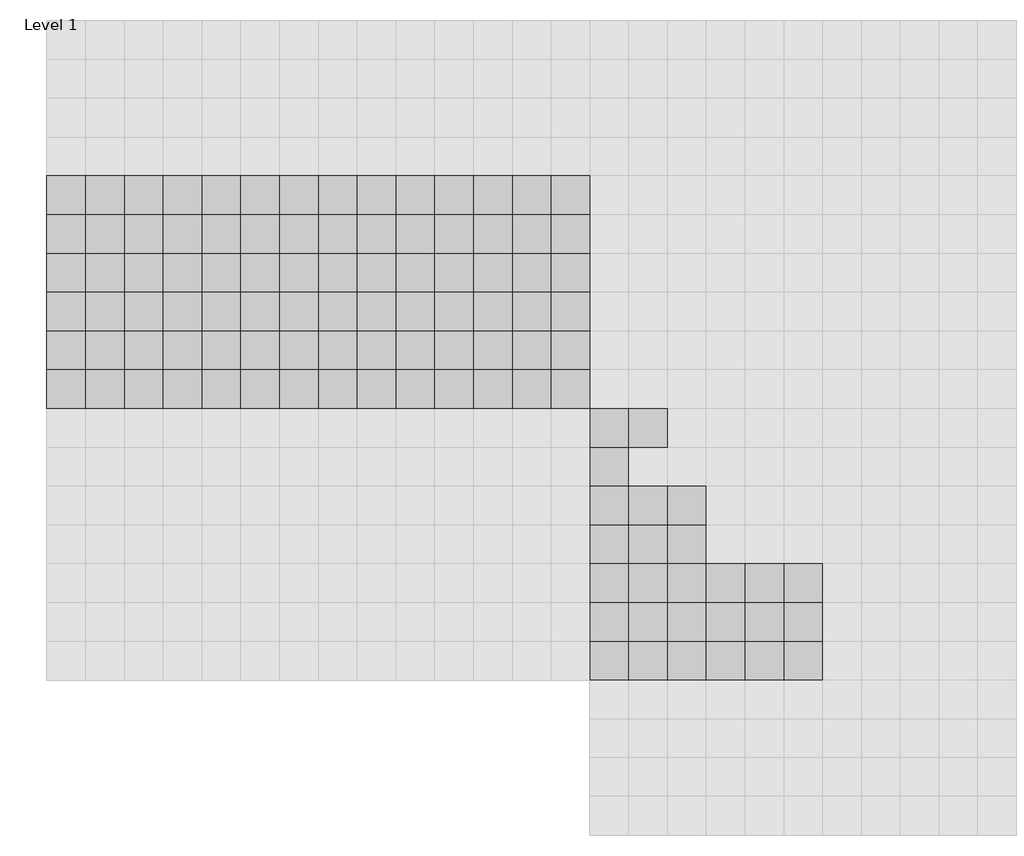
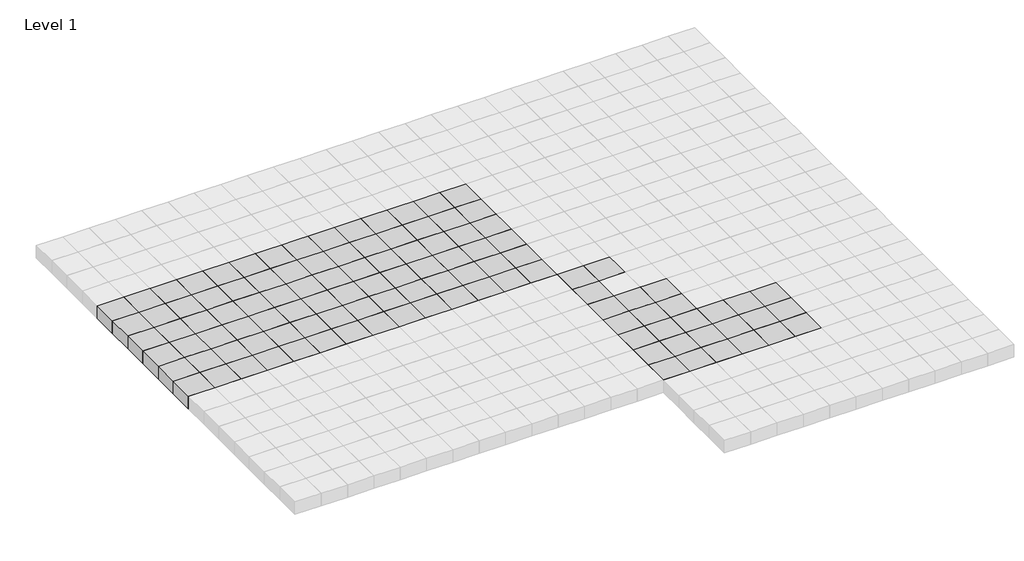
# One storey, part 28 of 30: 111 columns.
"""IFC4 building model written with IfcOpenShell, lengths in millimetres."""

import ifcopenshell
import ifcopenshell.guid

model = None  # the IFC model being written
_history = None  # IfcOwnerHistory: only IFC2X3 demands one
_inside = {}  # id of a spatial element -> (the spatial element, [elements in it])
_under = {}  # id of a project, library or spatial element -> (it, [spatial elements below it])
_declared = {}  # id of a project -> (the project, [libraries it declares])
_typed = {}  # id of a type object -> (the type object, [elements of that type])
_made_of = {}  # id of a material, layer set ... -> (it, [elements and type objects made of it])


def new_model(schema):
    """Start an empty IFC model of exactly this schema.

    Asked for "IFC4X3", IfcOpenShell would pick the latest addendum, in which some entities
    have other attributes; the version numbers below select the first issue.
    IFC2X3 requires an IfcOwnerHistory on every rooted entity: one is made here for all.
    """
    global model, _history
    if schema == "IFC4X3":
        model = ifcopenshell.file(schema_version=(4, 3, 0, 0))
    else:
        model = ifcopenshell.file(schema=schema)
    _inside.clear()
    _under.clear()
    _declared.clear()
    _typed.clear()
    _made_of.clear()
    _history = None
    if model.schema == "IFC2X3":
        org = make("IfcOrganization", Name="unknown")
        user = make(
            "IfcPersonAndOrganization",
            ThePerson=make("IfcPerson", FamilyName="unknown"),
            TheOrganization=org,
        )
        app = make(
            "IfcApplication",
            ApplicationDeveloper=org,
            Version="unknown",
            ApplicationFullName="unknown",
            ApplicationIdentifier="unknown",
        )
        _history = make(
            "IfcOwnerHistory",
            OwningUser=user,
            OwningApplication=app,
            ChangeAction="ADDED",
            CreationDate=0,
        )
    return model


def make(cls, **values):
    """One entity of the class cls with the attributes given. An attribute that is None is left unset."""
    return model.create_entity(
        cls, **{name: value for name, value in values.items() if value is not None}
    )


def rooted(cls, **values):
    """An entity with a GlobalId (a new one), such as an element, a storey or a relation."""
    return make(cls, GlobalId=ifcopenshell.guid.new(), OwnerHistory=_history, **values)


def si_unit(unit_type, name, prefix=None):
    """IfcSIUnit, for example si_unit("LENGTHUNIT", "METRE", prefix="MILLI")."""
    return make("IfcSIUnit", UnitType=unit_type, Prefix=prefix, Name=name)


def assignment(units):
    """IfcUnitAssignment: the units of a project."""
    return None if units is None else make("IfcUnitAssignment", Units=units)


def point(xyz):
    """IfcCartesianPoint."""
    return None if xyz is None else make("IfcCartesianPoint", Coordinates=xyz)


def direction(xyz):
    """IfcDirection."""
    return None if xyz is None else make("IfcDirection", DirectionRatios=xyz)


def frame(location, z_axis=None, x_axis=None):
    """IfcAxis2Placement3D, a coordinate frame: its origin and axes. An axis left out is left unset."""
    return make(
        "IfcAxis2Placement3D",
        Location=point(location),
        Axis=direction(z_axis),
        RefDirection=direction(x_axis),
    )


def origin():
    """The frame at (0, 0, 0) with its axes left unset."""
    return frame((0.0, 0.0, 0.0))


def origin_with_axes():
    """The frame at (0, 0, 0) with the z axis (0, 0, 1) and the x axis (1, 0, 0) written out."""
    return frame((0.0, 0.0, 0.0), z_axis=(0.0, 0.0, 1.0), x_axis=(1.0, 0.0, 0.0))


def place(relative_to, where):
    """IfcLocalPlacement: puts the frame where relative to a parent placement (None: the world)."""
    return make(
        "IfcLocalPlacement", PlacementRelTo=relative_to, RelativePlacement=where
    )


def context(
    kind, dimensions, precision=None, world=None, true_north=None, identifier=None
):
    """IfcGeometricRepresentationContext, for example the 3D "Model" context."""
    return make(
        "IfcGeometricRepresentationContext",
        ContextIdentifier=identifier,
        ContextType=kind,
        CoordinateSpaceDimension=dimensions,
        Precision=precision,
        WorldCoordinateSystem=world,
        TrueNorth=true_north,
    )


def project(units=None, contexts=None):
    """IfcProject with its units and contexts."""
    return rooted(
        "IfcProject",
        Name="project",
        RepresentationContexts=contexts,
        UnitsInContext=assignment(units),
    )


def spatial(cls, under=None, at=None, **own):
    """A site, building, storey or space (cls), placed at a placement, below another one or the project."""
    s = rooted(cls, ObjectPlacement=at, **own)
    if under is not None:
        _under.setdefault(under.id(), (under, []))[1].append(s)
    return s


def polyline(points):
    """IfcPolyline through the points."""
    return make("IfcPolyline", Points=[point(p) for p in points])


def outline(outer, holes=None, kind="AREA"):
    """IfcArbitraryClosedProfileDef: a profile drawn as a closed curve; with holes, ...WithVoids."""
    if holes is None:
        return make("IfcArbitraryClosedProfileDef", ProfileType=kind, OuterCurve=outer)
    return make(
        "IfcArbitraryProfileDefWithVoids",
        ProfileType=kind,
        OuterCurve=outer,
        InnerCurves=holes,
    )


def extrude(swept, where, along, depth):
    """IfcExtrudedAreaSolid: the profile swept, set in the frame where, extruded along a direction by depth."""
    return make(
        "IfcExtrudedAreaSolid",
        SweptArea=swept,
        Position=where,
        ExtrudedDirection=direction(along),
        Depth=depth,
    )


def shape(context_of_items, identifier, shape_type, items):
    """IfcShapeRepresentation: the items that make up one representation, for example the "Body"."""
    return make(
        "IfcShapeRepresentation",
        ContextOfItems=context_of_items,
        RepresentationIdentifier=identifier,
        RepresentationType=shape_type,
        Items=items,
    )


def source(mapping_origin, context_of_items, identifier, shape_type, items):
    """IfcRepresentationMap: a shape defined once, which mapped items show again and again."""
    return make(
        "IfcRepresentationMap",
        MappingOrigin=mapping_origin,
        MappedRepresentation=shape(context_of_items, identifier, shape_type, items),
    )


def transform(
    local_origin,
    x_axis=None,
    y_axis=None,
    z_axis=None,
    scale=None,
    scale2=None,
    scale3=None,
    uniform=True,
):
    """IfcCartesianTransformationOperator3D, or its non-uniform kind. x_axis, y_axis, z_axis: its Axis1, 2, 3."""
    if uniform:
        return make(
            "IfcCartesianTransformationOperator3D",
            Axis1=direction(x_axis),
            Axis2=direction(y_axis),
            LocalOrigin=point(local_origin),
            Scale=scale,
            Axis3=direction(z_axis),
        )
    return make(
        "IfcCartesianTransformationOperator3DnonUniform",
        Axis1=direction(x_axis),
        Axis2=direction(y_axis),
        LocalOrigin=point(local_origin),
        Scale=scale,
        Axis3=direction(z_axis),
        Scale2=scale2,
        Scale3=scale3,
    )


def mapped(mapping_source, mapping_target):
    """IfcMappedItem: shows the shape of a source again, moved by a transform."""
    return make(
        "IfcMappedItem", MappingSource=mapping_source, MappingTarget=mapping_target
    )


def made_of(thing, what):
    """Note that an element or type object is made of a material, layer set ...; save() writes the relation."""
    if what is not None:
        _made_of.setdefault(what.id(), (what, []))[1].append(thing)
    return thing


def element(
    cls,
    number,
    at=None,
    inside=None,
    cuts=None,
    type_object=None,
    material=None,
    context=None,
    identifier="Body",
    shape_type=None,
    held_by="IfcProductDefinitionShape",
    body=None,
    shapes=None,
    **own,
):
    """One element of the class cls, such as IfcWall. Its Tag is "e" and its number.

    at: its placement. inside: the storey or other place that contains it. cuts: it is an
    opening in that element (IfcRelVoidsElement). A single representation is given by context,
    identifier, shape_type and body (its items); several are given by shapes. held_by: the class
    of the entity that holds the representations. save() writes the other relations.
    """
    e = rooted(cls, Tag="e%d" % number, ObjectPlacement=at, **own)
    if body is not None:
        shapes = [shape(context, identifier, shape_type, body)]
    if shapes is not None:
        e.Representation = make(held_by, Representations=shapes)
    if inside is not None:
        _inside.setdefault(inside.id(), (inside, []))[1].append(e)
    if cuts is not None:
        rooted(
            "IfcRelVoidsElement", RelatingBuildingElement=cuts, RelatedOpeningElement=e
        )
    if type_object is not None:
        _typed.setdefault(type_object.id(), (type_object, []))[1].append(e)
    return made_of(e, material)


def aggregate(whole, parts):
    """IfcRelAggregates: a whole, such as a stair, and the parts it consists of."""
    return rooted("IfcRelAggregates", RelatingObject=whole, RelatedObjects=parts)


def save(model, path):
    """Write the relations noted so far, then the file.

    IfcRelAggregates (storeys below a building ...), IfcRelContainedInSpatialStructure (elements
    in a storey), IfcRelDefinesByType, IfcRelAssociatesMaterial and IfcRelDeclares: one each for
    every whole, place, type object, material and project.
    """
    for whole, parts in _under.values():
        aggregate(whole, parts)
    for where, things in _inside.values():
        rooted(
            "IfcRelContainedInSpatialStructure",
            RelatedElements=things,
            RelatingStructure=where,
        )
    for kind, things in _typed.values():
        rooted("IfcRelDefinesByType", RelatedObjects=things, RelatingType=kind)
    for what, things in _made_of.values():
        rooted("IfcRelAssociatesMaterial", RelatedObjects=things, RelatingMaterial=what)
    for by, libraries in _declared.values():
        rooted("IfcRelDeclares", RelatingContext=by, RelatedDefinitions=libraries)
    model.write(path)


def m_concrete_square_column_600_x_600mm_cc081a69(model_context):
    return source(origin(), model_context, "Body", "SweptSolid", [
        extrude(outline(polyline([(300.0, 300.0), (300.0, -300.0), (-300.0, -300.0), (-300.0, 300.0), (300.0, 300.0)])), origin_with_axes(), (0.0, 0.0, 1.0), 300.0),
    ])


model = new_model("IFC4")

# Units and contexts
model_context = context("Model", 3, world=origin())
ifc_project = project(units=[si_unit("LENGTHUNIT", "METRE", prefix="MILLI")], contexts=[model_context])

# Site, building, storey
site = spatial("IfcSite", under=ifc_project)
building = spatial("IfcBuilding", under=site)
storey = spatial("IfcBuildingStorey", under=building, Name="Level 1", Elevation=0.0)

# Columns
placement = place(None, origin())
m_concrete_square_column_600_x_600mm_shape = m_concrete_square_column_600_x_600mm_cc081a69(model_context)
element("IfcColumn", 1, ObjectType="M_Concrete-Square-Column : 600 x 600mm", at=placement, inside=storey, context=model_context, shape_type="MappedRepresentation", body=[
    mapped(m_concrete_square_column_600_x_600mm_shape, transform((96050.9001936, 23469.0976583, 0.0), x_axis=(1.0, 0.0, 0.0), y_axis=(0.0, 1.0, 0.0), z_axis=(0.0, 0.0, 1.0))),
])
element("IfcColumn", 2, ObjectType="M_Concrete-Square-Column : 600 x 600mm", at=placement, inside=storey, context=model_context, shape_type="MappedRepresentation", body=[
    mapped(m_concrete_square_column_600_x_600mm_shape, transform((96650.9001936, 23469.0976583, 0.0), x_axis=(1.0, 0.0, 0.0), y_axis=(0.0, 1.0, 0.0), z_axis=(0.0, 0.0, 1.0))),
])
element("IfcColumn", 3, ObjectType="M_Concrete-Square-Column : 600 x 600mm", at=placement, inside=storey, context=model_context, shape_type="MappedRepresentation", body=[
    mapped(m_concrete_square_column_600_x_600mm_shape, transform((97250.9001936, 23469.0976583, 0.0), x_axis=(1.0, 0.0, 0.0), y_axis=(0.0, 1.0, 0.0), z_axis=(0.0, 0.0, 1.0))),
])
element("IfcColumn", 4, ObjectType="M_Concrete-Square-Column : 600 x 600mm", at=placement, inside=storey, context=model_context, shape_type="MappedRepresentation", body=[
    mapped(m_concrete_square_column_600_x_600mm_shape, transform((97850.9001936, 23469.0976583, 0.0), x_axis=(1.0, 0.0, 0.0), y_axis=(0.0, 1.0, 0.0), z_axis=(0.0, 0.0, 1.0))),
])
element("IfcColumn", 5, ObjectType="M_Concrete-Square-Column : 600 x 600mm", at=placement, inside=storey, context=model_context, shape_type="MappedRepresentation", body=[
    mapped(m_concrete_square_column_600_x_600mm_shape, transform((98450.9001936, 23469.0976583, 0.0), x_axis=(1.0, 0.0, 0.0), y_axis=(0.0, 1.0, 0.0), z_axis=(0.0, 0.0, 1.0))),
])
element("IfcColumn", 6, ObjectType="M_Concrete-Square-Column : 600 x 600mm", at=placement, inside=storey, context=model_context, shape_type="MappedRepresentation", body=[
    mapped(m_concrete_square_column_600_x_600mm_shape, transform((99050.9001936, 23469.0976583, 0.0), x_axis=(1.0, 0.0, 0.0), y_axis=(0.0, 1.0, 0.0), z_axis=(0.0, 0.0, 1.0))),
])
element("IfcColumn", 7, ObjectType="M_Concrete-Square-Column : 600 x 600mm", at=placement, inside=storey, context=model_context, shape_type="MappedRepresentation", body=[
    mapped(m_concrete_square_column_600_x_600mm_shape, transform((99650.9001936, 23469.0976583, 0.0), x_axis=(1.0, 0.0, 0.0), y_axis=(0.0, 1.0, 0.0), z_axis=(0.0, 0.0, 1.0))),
])
element("IfcColumn", 8, ObjectType="M_Concrete-Square-Column : 600 x 600mm", at=placement, inside=storey, context=model_context, shape_type="MappedRepresentation", body=[
    mapped(m_concrete_square_column_600_x_600mm_shape, transform((100250.9001936, 23469.0976583, 0.0), x_axis=(1.0, 0.0, 0.0), y_axis=(0.0, 1.0, 0.0), z_axis=(0.0, 0.0, 1.0))),
])
element("IfcColumn", 9, ObjectType="M_Concrete-Square-Column : 600 x 600mm", at=placement, inside=storey, context=model_context, shape_type="MappedRepresentation", body=[
    mapped(m_concrete_square_column_600_x_600mm_shape, transform((100850.9001936, 23469.0976583, 0.0), x_axis=(1.0, 0.0, 0.0), y_axis=(0.0, 1.0, 0.0), z_axis=(0.0, 0.0, 1.0))),
])
element("IfcColumn", 10, ObjectType="M_Concrete-Square-Column : 600 x 600mm", at=placement, inside=storey, context=model_context, shape_type="MappedRepresentation", body=[
    mapped(m_concrete_square_column_600_x_600mm_shape, transform((101450.9001936, 23469.0976583, 0.0), x_axis=(1.0, 0.0, 0.0), y_axis=(0.0, 1.0, 0.0), z_axis=(0.0, 0.0, 1.0))),
])
element("IfcColumn", 11, ObjectType="M_Concrete-Square-Column : 600 x 600mm", at=placement, inside=storey, context=model_context, shape_type="MappedRepresentation", body=[
    mapped(m_concrete_square_column_600_x_600mm_shape, transform((102050.9001936, 23469.0976583, 0.0), x_axis=(1.0, 0.0, 0.0), y_axis=(0.0, 1.0, 0.0), z_axis=(0.0, 0.0, 1.0))),
])
element("IfcColumn", 12, ObjectType="M_Concrete-Square-Column : 600 x 600mm", at=placement, inside=storey, context=model_context, shape_type="MappedRepresentation", body=[
    mapped(m_concrete_square_column_600_x_600mm_shape, transform((102650.9001936, 23469.0976583, 0.0), x_axis=(1.0, 0.0, 0.0), y_axis=(0.0, 1.0, 0.0), z_axis=(0.0, 0.0, 1.0))),
])
element("IfcColumn", 13, ObjectType="M_Concrete-Square-Column : 600 x 600mm", at=placement, inside=storey, context=model_context, shape_type="MappedRepresentation", body=[
    mapped(m_concrete_square_column_600_x_600mm_shape, transform((103250.9001936, 23469.0976583, 0.0), x_axis=(1.0, 0.0, 0.0), y_axis=(0.0, 1.0, 0.0), z_axis=(0.0, 0.0, 1.0))),
])
element("IfcColumn", 14, ObjectType="M_Concrete-Square-Column : 600 x 600mm", at=placement, inside=storey, context=model_context, shape_type="MappedRepresentation", body=[
    mapped(m_concrete_square_column_600_x_600mm_shape, transform((103850.9001936, 23469.0976583, 0.0), x_axis=(1.0, 0.0, 0.0), y_axis=(0.0, 1.0, 0.0), z_axis=(0.0, 0.0, 1.0))),
])
element("IfcColumn", 15, ObjectType="M_Concrete-Square-Column : 600 x 600mm", at=placement, inside=storey, context=model_context, shape_type="MappedRepresentation", body=[
    mapped(m_concrete_square_column_600_x_600mm_shape, transform((96050.9001936, 22869.0976583, 0.0), x_axis=(1.0, 0.0, 0.0), y_axis=(0.0, 1.0, 0.0), z_axis=(0.0, 0.0, 1.0))),
])
element("IfcColumn", 16, ObjectType="M_Concrete-Square-Column : 600 x 600mm", at=placement, inside=storey, context=model_context, shape_type="MappedRepresentation", body=[
    mapped(m_concrete_square_column_600_x_600mm_shape, transform((96650.9001936, 22869.0976583, 0.0), x_axis=(1.0, 0.0, 0.0), y_axis=(0.0, 1.0, 0.0), z_axis=(0.0, 0.0, 1.0))),
])
element("IfcColumn", 17, ObjectType="M_Concrete-Square-Column : 600 x 600mm", at=placement, inside=storey, context=model_context, shape_type="MappedRepresentation", body=[
    mapped(m_concrete_square_column_600_x_600mm_shape, transform((97250.9001936, 22869.0976583, 0.0), x_axis=(1.0, 0.0, 0.0), y_axis=(0.0, 1.0, 0.0), z_axis=(0.0, 0.0, 1.0))),
])
element("IfcColumn", 18, ObjectType="M_Concrete-Square-Column : 600 x 600mm", at=placement, inside=storey, context=model_context, shape_type="MappedRepresentation", body=[
    mapped(m_concrete_square_column_600_x_600mm_shape, transform((97850.9001936, 22869.0976583, 0.0), x_axis=(1.0, 0.0, 0.0), y_axis=(0.0, 1.0, 0.0), z_axis=(0.0, 0.0, 1.0))),
])
element("IfcColumn", 19, ObjectType="M_Concrete-Square-Column : 600 x 600mm", at=placement, inside=storey, context=model_context, shape_type="MappedRepresentation", body=[
    mapped(m_concrete_square_column_600_x_600mm_shape, transform((98450.9001936, 22869.0976583, 0.0), x_axis=(1.0, 0.0, 0.0), y_axis=(0.0, 1.0, 0.0), z_axis=(0.0, 0.0, 1.0))),
])
element("IfcColumn", 20, ObjectType="M_Concrete-Square-Column : 600 x 600mm", at=placement, inside=storey, context=model_context, shape_type="MappedRepresentation", body=[
    mapped(m_concrete_square_column_600_x_600mm_shape, transform((96050.9001936, 22269.0976583, 0.0), x_axis=(1.0, 0.0, 0.0), y_axis=(0.0, 1.0, 0.0), z_axis=(0.0, 0.0, 1.0))),
])
element("IfcColumn", 21, ObjectType="M_Concrete-Square-Column : 600 x 600mm", at=placement, inside=storey, context=model_context, shape_type="MappedRepresentation", body=[
    mapped(m_concrete_square_column_600_x_600mm_shape, transform((96650.9001936, 22269.0976583, 0.0), x_axis=(1.0, 0.0, 0.0), y_axis=(0.0, 1.0, 0.0), z_axis=(0.0, 0.0, 1.0))),
])
element("IfcColumn", 22, ObjectType="M_Concrete-Square-Column : 600 x 600mm", at=placement, inside=storey, context=model_context, shape_type="MappedRepresentation", body=[
    mapped(m_concrete_square_column_600_x_600mm_shape, transform((97250.9001936, 22269.0976583, 0.0), x_axis=(1.0, 0.0, 0.0), y_axis=(0.0, 1.0, 0.0), z_axis=(0.0, 0.0, 1.0))),
])
element("IfcColumn", 23, ObjectType="M_Concrete-Square-Column : 600 x 600mm", at=placement, inside=storey, context=model_context, shape_type="MappedRepresentation", body=[
    mapped(m_concrete_square_column_600_x_600mm_shape, transform((97850.9001936, 22269.0976583, 0.0), x_axis=(1.0, 0.0, 0.0), y_axis=(0.0, 1.0, 0.0), z_axis=(0.0, 0.0, 1.0))),
])
element("IfcColumn", 24, ObjectType="M_Concrete-Square-Column : 600 x 600mm", at=placement, inside=storey, context=model_context, shape_type="MappedRepresentation", body=[
    mapped(m_concrete_square_column_600_x_600mm_shape, transform((98450.9001936, 22269.0976583, 0.0), x_axis=(1.0, 0.0, 0.0), y_axis=(0.0, 1.0, 0.0), z_axis=(0.0, 0.0, 1.0))),
])
element("IfcColumn", 25, ObjectType="M_Concrete-Square-Column : 600 x 600mm", at=placement, inside=storey, context=model_context, shape_type="MappedRepresentation", body=[
    mapped(m_concrete_square_column_600_x_600mm_shape, transform((96050.9001936, 21669.0976583, 0.0), x_axis=(1.0, 0.0, 0.0), y_axis=(0.0, 1.0, 0.0), z_axis=(0.0, 0.0, 1.0))),
])
element("IfcColumn", 26, ObjectType="M_Concrete-Square-Column : 600 x 600mm", at=placement, inside=storey, context=model_context, shape_type="MappedRepresentation", body=[
    mapped(m_concrete_square_column_600_x_600mm_shape, transform((96650.9001936, 21669.0976583, 0.0), x_axis=(1.0, 0.0, 0.0), y_axis=(0.0, 1.0, 0.0), z_axis=(0.0, 0.0, 1.0))),
])
element("IfcColumn", 27, ObjectType="M_Concrete-Square-Column : 600 x 600mm", at=placement, inside=storey, context=model_context, shape_type="MappedRepresentation", body=[
    mapped(m_concrete_square_column_600_x_600mm_shape, transform((97250.9001936, 21669.0976583, 0.0), x_axis=(1.0, 0.0, 0.0), y_axis=(0.0, 1.0, 0.0), z_axis=(0.0, 0.0, 1.0))),
])
element("IfcColumn", 28, ObjectType="M_Concrete-Square-Column : 600 x 600mm", at=placement, inside=storey, context=model_context, shape_type="MappedRepresentation", body=[
    mapped(m_concrete_square_column_600_x_600mm_shape, transform((97850.9001936, 21669.0976583, 0.0), x_axis=(1.0, 0.0, 0.0), y_axis=(0.0, 1.0, 0.0), z_axis=(0.0, 0.0, 1.0))),
])
element("IfcColumn", 29, ObjectType="M_Concrete-Square-Column : 600 x 600mm", at=placement, inside=storey, context=model_context, shape_type="MappedRepresentation", body=[
    mapped(m_concrete_square_column_600_x_600mm_shape, transform((98450.9001936, 21669.0976583, 0.0), x_axis=(1.0, 0.0, 0.0), y_axis=(0.0, 1.0, 0.0), z_axis=(0.0, 0.0, 1.0))),
])
element("IfcColumn", 30, ObjectType="M_Concrete-Square-Column : 600 x 600mm", at=placement, inside=storey, context=model_context, shape_type="MappedRepresentation", body=[
    mapped(m_concrete_square_column_600_x_600mm_shape, transform((96050.9001936, 21069.0976583, 0.0), x_axis=(1.0, 0.0, 0.0), y_axis=(0.0, 1.0, 0.0), z_axis=(0.0, 0.0, 1.0))),
])
element("IfcColumn", 31, ObjectType="M_Concrete-Square-Column : 600 x 600mm", at=placement, inside=storey, context=model_context, shape_type="MappedRepresentation", body=[
    mapped(m_concrete_square_column_600_x_600mm_shape, transform((96650.9001936, 21069.0976583, 0.0), x_axis=(1.0, 0.0, 0.0), y_axis=(0.0, 1.0, 0.0), z_axis=(0.0, 0.0, 1.0))),
])
element("IfcColumn", 32, ObjectType="M_Concrete-Square-Column : 600 x 600mm", at=placement, inside=storey, context=model_context, shape_type="MappedRepresentation", body=[
    mapped(m_concrete_square_column_600_x_600mm_shape, transform((97250.9001936, 21069.0976583, 0.0), x_axis=(1.0, 0.0, 0.0), y_axis=(0.0, 1.0, 0.0), z_axis=(0.0, 0.0, 1.0))),
])
element("IfcColumn", 33, ObjectType="M_Concrete-Square-Column : 600 x 600mm", at=placement, inside=storey, context=model_context, shape_type="MappedRepresentation", body=[
    mapped(m_concrete_square_column_600_x_600mm_shape, transform((97850.9001936, 21069.0976583, 0.0), x_axis=(1.0, 0.0, 0.0), y_axis=(0.0, 1.0, 0.0), z_axis=(0.0, 0.0, 1.0))),
])
element("IfcColumn", 34, ObjectType="M_Concrete-Square-Column : 600 x 600mm", at=placement, inside=storey, context=model_context, shape_type="MappedRepresentation", body=[
    mapped(m_concrete_square_column_600_x_600mm_shape, transform((98450.9001936, 21069.0976583, 0.0), x_axis=(1.0, 0.0, 0.0), y_axis=(0.0, 1.0, 0.0), z_axis=(0.0, 0.0, 1.0))),
])
element("IfcColumn", 35, ObjectType="M_Concrete-Square-Column : 600 x 600mm", at=placement, inside=storey, context=model_context, shape_type="MappedRepresentation", body=[
    mapped(m_concrete_square_column_600_x_600mm_shape, transform((96050.9001936, 20469.0976583, 0.0), x_axis=(1.0, 0.0, 0.0), y_axis=(0.0, 1.0, 0.0), z_axis=(0.0, 0.0, 1.0))),
])
element("IfcColumn", 36, ObjectType="M_Concrete-Square-Column : 600 x 600mm", at=placement, inside=storey, context=model_context, shape_type="MappedRepresentation", body=[
    mapped(m_concrete_square_column_600_x_600mm_shape, transform((96650.9001936, 20469.0976583, 0.0), x_axis=(1.0, 0.0, 0.0), y_axis=(0.0, 1.0, 0.0), z_axis=(0.0, 0.0, 1.0))),
])
element("IfcColumn", 37, ObjectType="M_Concrete-Square-Column : 600 x 600mm", at=placement, inside=storey, context=model_context, shape_type="MappedRepresentation", body=[
    mapped(m_concrete_square_column_600_x_600mm_shape, transform((97250.9001936, 20469.0976583, 0.0), x_axis=(1.0, 0.0, 0.0), y_axis=(0.0, 1.0, 0.0), z_axis=(0.0, 0.0, 1.0))),
])
element("IfcColumn", 38, ObjectType="M_Concrete-Square-Column : 600 x 600mm", at=placement, inside=storey, context=model_context, shape_type="MappedRepresentation", body=[
    mapped(m_concrete_square_column_600_x_600mm_shape, transform((97850.9001936, 20469.0976583, 0.0), x_axis=(1.0, 0.0, 0.0), y_axis=(0.0, 1.0, 0.0), z_axis=(0.0, 0.0, 1.0))),
])
element("IfcColumn", 39, ObjectType="M_Concrete-Square-Column : 600 x 600mm", at=placement, inside=storey, context=model_context, shape_type="MappedRepresentation", body=[
    mapped(m_concrete_square_column_600_x_600mm_shape, transform((98450.9001936, 20469.0976583, 0.0), x_axis=(1.0, 0.0, 0.0), y_axis=(0.0, 1.0, 0.0), z_axis=(0.0, 0.0, 1.0))),
])
element("IfcColumn", 40, ObjectType="M_Concrete-Square-Column : 600 x 600mm", at=placement, inside=storey, context=model_context, shape_type="MappedRepresentation", body=[
    mapped(m_concrete_square_column_600_x_600mm_shape, transform((99050.9001936, 22869.0976583, 0.0), x_axis=(1.0, 0.0, 0.0), y_axis=(0.0, 1.0, 0.0), z_axis=(0.0, 0.0, 1.0))),
])
element("IfcColumn", 41, ObjectType="M_Concrete-Square-Column : 600 x 600mm", at=placement, inside=storey, context=model_context, shape_type="MappedRepresentation", body=[
    mapped(m_concrete_square_column_600_x_600mm_shape, transform((99650.9001936, 22869.0976583, 0.0), x_axis=(1.0, 0.0, 0.0), y_axis=(0.0, 1.0, 0.0), z_axis=(0.0, 0.0, 1.0))),
])
element("IfcColumn", 42, ObjectType="M_Concrete-Square-Column : 600 x 600mm", at=placement, inside=storey, context=model_context, shape_type="MappedRepresentation", body=[
    mapped(m_concrete_square_column_600_x_600mm_shape, transform((100250.9001936, 22869.0976583, 0.0), x_axis=(1.0, 0.0, 0.0), y_axis=(0.0, 1.0, 0.0), z_axis=(0.0, 0.0, 1.0))),
])
element("IfcColumn", 43, ObjectType="M_Concrete-Square-Column : 600 x 600mm", at=placement, inside=storey, context=model_context, shape_type="MappedRepresentation", body=[
    mapped(m_concrete_square_column_600_x_600mm_shape, transform((100850.9001936, 22869.0976583, 0.0), x_axis=(1.0, 0.0, 0.0), y_axis=(0.0, 1.0, 0.0), z_axis=(0.0, 0.0, 1.0))),
])
element("IfcColumn", 44, ObjectType="M_Concrete-Square-Column : 600 x 600mm", at=placement, inside=storey, context=model_context, shape_type="MappedRepresentation", body=[
    mapped(m_concrete_square_column_600_x_600mm_shape, transform((101450.9001936, 22869.0976583, 0.0), x_axis=(1.0, 0.0, 0.0), y_axis=(0.0, 1.0, 0.0), z_axis=(0.0, 0.0, 1.0))),
])
element("IfcColumn", 45, ObjectType="M_Concrete-Square-Column : 600 x 600mm", at=placement, inside=storey, context=model_context, shape_type="MappedRepresentation", body=[
    mapped(m_concrete_square_column_600_x_600mm_shape, transform((99050.9001936, 22269.0976583, 0.0), x_axis=(1.0, 0.0, 0.0), y_axis=(0.0, 1.0, 0.0), z_axis=(0.0, 0.0, 1.0))),
])
element("IfcColumn", 46, ObjectType="M_Concrete-Square-Column : 600 x 600mm", at=placement, inside=storey, context=model_context, shape_type="MappedRepresentation", body=[
    mapped(m_concrete_square_column_600_x_600mm_shape, transform((99650.9001936, 22269.0976583, 0.0), x_axis=(1.0, 0.0, 0.0), y_axis=(0.0, 1.0, 0.0), z_axis=(0.0, 0.0, 1.0))),
])
element("IfcColumn", 47, ObjectType="M_Concrete-Square-Column : 600 x 600mm", at=placement, inside=storey, context=model_context, shape_type="MappedRepresentation", body=[
    mapped(m_concrete_square_column_600_x_600mm_shape, transform((100250.9001936, 22269.0976583, 0.0), x_axis=(1.0, 0.0, 0.0), y_axis=(0.0, 1.0, 0.0), z_axis=(0.0, 0.0, 1.0))),
])
element("IfcColumn", 48, ObjectType="M_Concrete-Square-Column : 600 x 600mm", at=placement, inside=storey, context=model_context, shape_type="MappedRepresentation", body=[
    mapped(m_concrete_square_column_600_x_600mm_shape, transform((100850.9001936, 22269.0976583, 0.0), x_axis=(1.0, 0.0, 0.0), y_axis=(0.0, 1.0, 0.0), z_axis=(0.0, 0.0, 1.0))),
])
element("IfcColumn", 49, ObjectType="M_Concrete-Square-Column : 600 x 600mm", at=placement, inside=storey, context=model_context, shape_type="MappedRepresentation", body=[
    mapped(m_concrete_square_column_600_x_600mm_shape, transform((101450.9001936, 22269.0976583, 0.0), x_axis=(1.0, 0.0, 0.0), y_axis=(0.0, 1.0, 0.0), z_axis=(0.0, 0.0, 1.0))),
])
element("IfcColumn", 50, ObjectType="M_Concrete-Square-Column : 600 x 600mm", at=placement, inside=storey, context=model_context, shape_type="MappedRepresentation", body=[
    mapped(m_concrete_square_column_600_x_600mm_shape, transform((99050.9001936, 21669.0976583, 0.0), x_axis=(1.0, 0.0, 0.0), y_axis=(0.0, 1.0, 0.0), z_axis=(0.0, 0.0, 1.0))),
])
element("IfcColumn", 51, ObjectType="M_Concrete-Square-Column : 600 x 600mm", at=placement, inside=storey, context=model_context, shape_type="MappedRepresentation", body=[
    mapped(m_concrete_square_column_600_x_600mm_shape, transform((99650.9001936, 21669.0976583, 0.0), x_axis=(1.0, 0.0, 0.0), y_axis=(0.0, 1.0, 0.0), z_axis=(0.0, 0.0, 1.0))),
])
element("IfcColumn", 52, ObjectType="M_Concrete-Square-Column : 600 x 600mm", at=placement, inside=storey, context=model_context, shape_type="MappedRepresentation", body=[
    mapped(m_concrete_square_column_600_x_600mm_shape, transform((100250.9001936, 21669.0976583, 0.0), x_axis=(1.0, 0.0, 0.0), y_axis=(0.0, 1.0, 0.0), z_axis=(0.0, 0.0, 1.0))),
])
element("IfcColumn", 53, ObjectType="M_Concrete-Square-Column : 600 x 600mm", at=placement, inside=storey, context=model_context, shape_type="MappedRepresentation", body=[
    mapped(m_concrete_square_column_600_x_600mm_shape, transform((100850.9001936, 21669.0976583, 0.0), x_axis=(1.0, 0.0, 0.0), y_axis=(0.0, 1.0, 0.0), z_axis=(0.0, 0.0, 1.0))),
])
element("IfcColumn", 54, ObjectType="M_Concrete-Square-Column : 600 x 600mm", at=placement, inside=storey, context=model_context, shape_type="MappedRepresentation", body=[
    mapped(m_concrete_square_column_600_x_600mm_shape, transform((101450.9001936, 21669.0976583, 0.0), x_axis=(1.0, 0.0, 0.0), y_axis=(0.0, 1.0, 0.0), z_axis=(0.0, 0.0, 1.0))),
])
element("IfcColumn", 55, ObjectType="M_Concrete-Square-Column : 600 x 600mm", at=placement, inside=storey, context=model_context, shape_type="MappedRepresentation", body=[
    mapped(m_concrete_square_column_600_x_600mm_shape, transform((99050.9001936, 21069.0976583, 0.0), x_axis=(1.0, 0.0, 0.0), y_axis=(0.0, 1.0, 0.0), z_axis=(0.0, 0.0, 1.0))),
])
element("IfcColumn", 56, ObjectType="M_Concrete-Square-Column : 600 x 600mm", at=placement, inside=storey, context=model_context, shape_type="MappedRepresentation", body=[
    mapped(m_concrete_square_column_600_x_600mm_shape, transform((99650.9001936, 21069.0976583, 0.0), x_axis=(1.0, 0.0, 0.0), y_axis=(0.0, 1.0, 0.0), z_axis=(0.0, 0.0, 1.0))),
])
element("IfcColumn", 57, ObjectType="M_Concrete-Square-Column : 600 x 600mm", at=placement, inside=storey, context=model_context, shape_type="MappedRepresentation", body=[
    mapped(m_concrete_square_column_600_x_600mm_shape, transform((100250.9001936, 21069.0976583, 0.0), x_axis=(1.0, 0.0, 0.0), y_axis=(0.0, 1.0, 0.0), z_axis=(0.0, 0.0, 1.0))),
])
element("IfcColumn", 58, ObjectType="M_Concrete-Square-Column : 600 x 600mm", at=placement, inside=storey, context=model_context, shape_type="MappedRepresentation", body=[
    mapped(m_concrete_square_column_600_x_600mm_shape, transform((100850.9001936, 21069.0976583, 0.0), x_axis=(1.0, 0.0, 0.0), y_axis=(0.0, 1.0, 0.0), z_axis=(0.0, 0.0, 1.0))),
])
element("IfcColumn", 59, ObjectType="M_Concrete-Square-Column : 600 x 600mm", at=placement, inside=storey, context=model_context, shape_type="MappedRepresentation", body=[
    mapped(m_concrete_square_column_600_x_600mm_shape, transform((101450.9001936, 21069.0976583, 0.0), x_axis=(1.0, 0.0, 0.0), y_axis=(0.0, 1.0, 0.0), z_axis=(0.0, 0.0, 1.0))),
])
element("IfcColumn", 60, ObjectType="M_Concrete-Square-Column : 600 x 600mm", at=placement, inside=storey, context=model_context, shape_type="MappedRepresentation", body=[
    mapped(m_concrete_square_column_600_x_600mm_shape, transform((99050.9001936, 20469.0976583, 0.0), x_axis=(1.0, 0.0, 0.0), y_axis=(0.0, 1.0, 0.0), z_axis=(0.0, 0.0, 1.0))),
])
element("IfcColumn", 61, ObjectType="M_Concrete-Square-Column : 600 x 600mm", at=placement, inside=storey, context=model_context, shape_type="MappedRepresentation", body=[
    mapped(m_concrete_square_column_600_x_600mm_shape, transform((99650.9001936, 20469.0976583, 0.0), x_axis=(1.0, 0.0, 0.0), y_axis=(0.0, 1.0, 0.0), z_axis=(0.0, 0.0, 1.0))),
])
element("IfcColumn", 62, ObjectType="M_Concrete-Square-Column : 600 x 600mm", at=placement, inside=storey, context=model_context, shape_type="MappedRepresentation", body=[
    mapped(m_concrete_square_column_600_x_600mm_shape, transform((100250.9001936, 20469.0976583, 0.0), x_axis=(1.0, 0.0, 0.0), y_axis=(0.0, 1.0, 0.0), z_axis=(0.0, 0.0, 1.0))),
])
element("IfcColumn", 63, ObjectType="M_Concrete-Square-Column : 600 x 600mm", at=placement, inside=storey, context=model_context, shape_type="MappedRepresentation", body=[
    mapped(m_concrete_square_column_600_x_600mm_shape, transform((100850.9001936, 20469.0976583, 0.0), x_axis=(1.0, 0.0, 0.0), y_axis=(0.0, 1.0, 0.0), z_axis=(0.0, 0.0, 1.0))),
])
element("IfcColumn", 64, ObjectType="M_Concrete-Square-Column : 600 x 600mm", at=placement, inside=storey, context=model_context, shape_type="MappedRepresentation", body=[
    mapped(m_concrete_square_column_600_x_600mm_shape, transform((101450.9001936, 20469.0976583, 0.0), x_axis=(1.0, 0.0, 0.0), y_axis=(0.0, 1.0, 0.0), z_axis=(0.0, 0.0, 1.0))),
])
element("IfcColumn", 65, ObjectType="M_Concrete-Square-Column : 600 x 600mm", at=placement, inside=storey, context=model_context, shape_type="MappedRepresentation", body=[
    mapped(m_concrete_square_column_600_x_600mm_shape, transform((102050.9001936, 22869.0976583, 0.0), x_axis=(1.0, 0.0, 0.0), y_axis=(0.0, 1.0, 0.0), z_axis=(0.0, 0.0, 1.0))),
])
element("IfcColumn", 66, ObjectType="M_Concrete-Square-Column : 600 x 600mm", at=placement, inside=storey, context=model_context, shape_type="MappedRepresentation", body=[
    mapped(m_concrete_square_column_600_x_600mm_shape, transform((102650.9001936, 22869.0976583, 0.0), x_axis=(1.0, 0.0, 0.0), y_axis=(0.0, 1.0, 0.0), z_axis=(0.0, 0.0, 1.0))),
])
element("IfcColumn", 67, ObjectType="M_Concrete-Square-Column : 600 x 600mm", at=placement, inside=storey, context=model_context, shape_type="MappedRepresentation", body=[
    mapped(m_concrete_square_column_600_x_600mm_shape, transform((103250.9001936, 22869.0976583, 0.0), x_axis=(1.0, 0.0, 0.0), y_axis=(0.0, 1.0, 0.0), z_axis=(0.0, 0.0, 1.0))),
])
element("IfcColumn", 68, ObjectType="M_Concrete-Square-Column : 600 x 600mm", at=placement, inside=storey, context=model_context, shape_type="MappedRepresentation", body=[
    mapped(m_concrete_square_column_600_x_600mm_shape, transform((103850.9001936, 22869.0976583, 0.0), x_axis=(1.0, 0.0, 0.0), y_axis=(0.0, 1.0, 0.0), z_axis=(0.0, 0.0, 1.0))),
])
element("IfcColumn", 69, ObjectType="M_Concrete-Square-Column : 600 x 600mm", at=placement, inside=storey, context=model_context, shape_type="MappedRepresentation", body=[
    mapped(m_concrete_square_column_600_x_600mm_shape, transform((102050.9001936, 22269.0976583, 0.0), x_axis=(1.0, 0.0, 0.0), y_axis=(0.0, 1.0, 0.0), z_axis=(0.0, 0.0, 1.0))),
])
element("IfcColumn", 70, ObjectType="M_Concrete-Square-Column : 600 x 600mm", at=placement, inside=storey, context=model_context, shape_type="MappedRepresentation", body=[
    mapped(m_concrete_square_column_600_x_600mm_shape, transform((102650.9001936, 22269.0976583, 0.0), x_axis=(1.0, 0.0, 0.0), y_axis=(0.0, 1.0, 0.0), z_axis=(0.0, 0.0, 1.0))),
])
element("IfcColumn", 71, ObjectType="M_Concrete-Square-Column : 600 x 600mm", at=placement, inside=storey, context=model_context, shape_type="MappedRepresentation", body=[
    mapped(m_concrete_square_column_600_x_600mm_shape, transform((103250.9001936, 22269.0976583, 0.0), x_axis=(1.0, 0.0, 0.0), y_axis=(0.0, 1.0, 0.0), z_axis=(0.0, 0.0, 1.0))),
])
element("IfcColumn", 72, ObjectType="M_Concrete-Square-Column : 600 x 600mm", at=placement, inside=storey, context=model_context, shape_type="MappedRepresentation", body=[
    mapped(m_concrete_square_column_600_x_600mm_shape, transform((103850.9001936, 22269.0976583, 0.0), x_axis=(1.0, 0.0, 0.0), y_axis=(0.0, 1.0, 0.0), z_axis=(0.0, 0.0, 1.0))),
])
element("IfcColumn", 73, ObjectType="M_Concrete-Square-Column : 600 x 600mm", at=placement, inside=storey, context=model_context, shape_type="MappedRepresentation", body=[
    mapped(m_concrete_square_column_600_x_600mm_shape, transform((102050.9001936, 21669.0976583, 0.0), x_axis=(1.0, 0.0, 0.0), y_axis=(0.0, 1.0, 0.0), z_axis=(0.0, 0.0, 1.0))),
])
element("IfcColumn", 74, ObjectType="M_Concrete-Square-Column : 600 x 600mm", at=placement, inside=storey, context=model_context, shape_type="MappedRepresentation", body=[
    mapped(m_concrete_square_column_600_x_600mm_shape, transform((102650.9001936, 21669.0976583, 0.0), x_axis=(1.0, 0.0, 0.0), y_axis=(0.0, 1.0, 0.0), z_axis=(0.0, 0.0, 1.0))),
])
element("IfcColumn", 75, ObjectType="M_Concrete-Square-Column : 600 x 600mm", at=placement, inside=storey, context=model_context, shape_type="MappedRepresentation", body=[
    mapped(m_concrete_square_column_600_x_600mm_shape, transform((103250.9001936, 21669.0976583, 0.0), x_axis=(1.0, 0.0, 0.0), y_axis=(0.0, 1.0, 0.0), z_axis=(0.0, 0.0, 1.0))),
])
element("IfcColumn", 76, ObjectType="M_Concrete-Square-Column : 600 x 600mm", at=placement, inside=storey, context=model_context, shape_type="MappedRepresentation", body=[
    mapped(m_concrete_square_column_600_x_600mm_shape, transform((103850.9001936, 21669.0976583, 0.0), x_axis=(1.0, 0.0, 0.0), y_axis=(0.0, 1.0, 0.0), z_axis=(0.0, 0.0, 1.0))),
])
element("IfcColumn", 77, ObjectType="M_Concrete-Square-Column : 600 x 600mm", at=placement, inside=storey, context=model_context, shape_type="MappedRepresentation", body=[
    mapped(m_concrete_square_column_600_x_600mm_shape, transform((102050.9001936, 21069.0976583, 0.0), x_axis=(1.0, 0.0, 0.0), y_axis=(0.0, 1.0, 0.0), z_axis=(0.0, 0.0, 1.0))),
])
element("IfcColumn", 78, ObjectType="M_Concrete-Square-Column : 600 x 600mm", at=placement, inside=storey, context=model_context, shape_type="MappedRepresentation", body=[
    mapped(m_concrete_square_column_600_x_600mm_shape, transform((102650.9001936, 21069.0976583, 0.0), x_axis=(1.0, 0.0, 0.0), y_axis=(0.0, 1.0, 0.0), z_axis=(0.0, 0.0, 1.0))),
])
element("IfcColumn", 79, ObjectType="M_Concrete-Square-Column : 600 x 600mm", at=placement, inside=storey, context=model_context, shape_type="MappedRepresentation", body=[
    mapped(m_concrete_square_column_600_x_600mm_shape, transform((103250.9001936, 21069.0976583, 0.0), x_axis=(1.0, 0.0, 0.0), y_axis=(0.0, 1.0, 0.0), z_axis=(0.0, 0.0, 1.0))),
])
element("IfcColumn", 80, ObjectType="M_Concrete-Square-Column : 600 x 600mm", at=placement, inside=storey, context=model_context, shape_type="MappedRepresentation", body=[
    mapped(m_concrete_square_column_600_x_600mm_shape, transform((103850.9001936, 21069.0976583, 0.0), x_axis=(1.0, 0.0, 0.0), y_axis=(0.0, 1.0, 0.0), z_axis=(0.0, 0.0, 1.0))),
])
element("IfcColumn", 81, ObjectType="M_Concrete-Square-Column : 600 x 600mm", at=placement, inside=storey, context=model_context, shape_type="MappedRepresentation", body=[
    mapped(m_concrete_square_column_600_x_600mm_shape, transform((102050.9001936, 20469.0976583, 0.0), x_axis=(1.0, 0.0, 0.0), y_axis=(0.0, 1.0, 0.0), z_axis=(0.0, 0.0, 1.0))),
])
element("IfcColumn", 82, ObjectType="M_Concrete-Square-Column : 600 x 600mm", at=placement, inside=storey, context=model_context, shape_type="MappedRepresentation", body=[
    mapped(m_concrete_square_column_600_x_600mm_shape, transform((102650.9001936, 20469.0976583, 0.0), x_axis=(1.0, 0.0, 0.0), y_axis=(0.0, 1.0, 0.0), z_axis=(0.0, 0.0, 1.0))),
])
element("IfcColumn", 83, ObjectType="M_Concrete-Square-Column : 600 x 600mm", at=placement, inside=storey, context=model_context, shape_type="MappedRepresentation", body=[
    mapped(m_concrete_square_column_600_x_600mm_shape, transform((103250.9001936, 20469.0976583, 0.0), x_axis=(1.0, 0.0, 0.0), y_axis=(0.0, 1.0, 0.0), z_axis=(0.0, 0.0, 1.0))),
])
element("IfcColumn", 84, ObjectType="M_Concrete-Square-Column : 600 x 600mm", at=placement, inside=storey, context=model_context, shape_type="MappedRepresentation", body=[
    mapped(m_concrete_square_column_600_x_600mm_shape, transform((103850.9001936, 20469.0976583, 0.0), x_axis=(1.0, 0.0, 0.0), y_axis=(0.0, 1.0, 0.0), z_axis=(0.0, 0.0, 1.0))),
])
element("IfcColumn", 85, ObjectType="M_Concrete-Square-Column : 600 x 600mm", at=placement, inside=storey, context=model_context, shape_type="MappedRepresentation", body=[
    mapped(m_concrete_square_column_600_x_600mm_shape, transform((104450.9001936, 19869.0976583, 0.0), x_axis=(1.0, 0.0, 0.0), y_axis=(0.0, 1.0, 0.0), z_axis=(0.0, 0.0, 1.0))),
])
element("IfcColumn", 86, ObjectType="M_Concrete-Square-Column : 600 x 600mm", at=placement, inside=storey, context=model_context, shape_type="MappedRepresentation", body=[
    mapped(m_concrete_square_column_600_x_600mm_shape, transform((104450.9001936, 19269.0976583, 0.0), x_axis=(1.0, 0.0, 0.0), y_axis=(0.0, 1.0, 0.0), z_axis=(0.0, 0.0, 1.0))),
])
element("IfcColumn", 87, ObjectType="M_Concrete-Square-Column : 600 x 600mm", at=placement, inside=storey, context=model_context, shape_type="MappedRepresentation", body=[
    mapped(m_concrete_square_column_600_x_600mm_shape, transform((104450.9001936, 18669.0976583, 0.0), x_axis=(1.0, 0.0, 0.0), y_axis=(0.0, 1.0, 0.0), z_axis=(0.0, 0.0, 1.0))),
])
element("IfcColumn", 88, ObjectType="M_Concrete-Square-Column : 600 x 600mm", at=placement, inside=storey, context=model_context, shape_type="MappedRepresentation", body=[
    mapped(m_concrete_square_column_600_x_600mm_shape, transform((104450.9001936, 18069.0976583, 0.0), x_axis=(1.0, 0.0, 0.0), y_axis=(0.0, 1.0, 0.0), z_axis=(0.0, 0.0, 1.0))),
])
element("IfcColumn", 89, ObjectType="M_Concrete-Square-Column : 600 x 600mm", at=placement, inside=storey, context=model_context, shape_type="MappedRepresentation", body=[
    mapped(m_concrete_square_column_600_x_600mm_shape, transform((104450.9001936, 17469.0976583, 0.0), x_axis=(1.0, 0.0, 0.0), y_axis=(0.0, 1.0, 0.0), z_axis=(0.0, 0.0, 1.0))),
])
element("IfcColumn", 90, ObjectType="M_Concrete-Square-Column : 600 x 600mm", at=placement, inside=storey, context=model_context, shape_type="MappedRepresentation", body=[
    mapped(m_concrete_square_column_600_x_600mm_shape, transform((105050.9001936, 19869.0976583, 0.0), x_axis=(1.0, 0.0, 0.0), y_axis=(0.0, 1.0, 0.0), z_axis=(0.0, 0.0, 1.0))),
])
element("IfcColumn", 91, ObjectType="M_Concrete-Square-Column : 600 x 600mm", at=placement, inside=storey, context=model_context, shape_type="MappedRepresentation", body=[
    mapped(m_concrete_square_column_600_x_600mm_shape, transform((105050.9001936, 18669.0976583, 0.0), x_axis=(1.0, 0.0, 0.0), y_axis=(0.0, 1.0, 0.0), z_axis=(0.0, 0.0, 1.0))),
])
element("IfcColumn", 92, ObjectType="M_Concrete-Square-Column : 600 x 600mm", at=placement, inside=storey, context=model_context, shape_type="MappedRepresentation", body=[
    mapped(m_concrete_square_column_600_x_600mm_shape, transform((105650.9001936, 18669.0976583, 0.0), x_axis=(1.0, 0.0, 0.0), y_axis=(0.0, 1.0, 0.0), z_axis=(0.0, 0.0, 1.0))),
])
element("IfcColumn", 93, ObjectType="M_Concrete-Square-Column : 600 x 600mm", at=placement, inside=storey, context=model_context, shape_type="MappedRepresentation", body=[
    mapped(m_concrete_square_column_600_x_600mm_shape, transform((105050.9001936, 18069.0976583, 0.0), x_axis=(1.0, 0.0, 0.0), y_axis=(0.0, 1.0, 0.0), z_axis=(0.0, 0.0, 1.0))),
])
element("IfcColumn", 94, ObjectType="M_Concrete-Square-Column : 600 x 600mm", at=placement, inside=storey, context=model_context, shape_type="MappedRepresentation", body=[
    mapped(m_concrete_square_column_600_x_600mm_shape, transform((105650.9001936, 18069.0976583, 0.0), x_axis=(1.0, 0.0, 0.0), y_axis=(0.0, 1.0, 0.0), z_axis=(0.0, 0.0, 1.0))),
])
element("IfcColumn", 95, ObjectType="M_Concrete-Square-Column : 600 x 600mm", at=placement, inside=storey, context=model_context, shape_type="MappedRepresentation", body=[
    mapped(m_concrete_square_column_600_x_600mm_shape, transform((105050.9001936, 17469.0976583, 0.0), x_axis=(1.0, 0.0, 0.0), y_axis=(0.0, 1.0, 0.0), z_axis=(0.0, 0.0, 1.0))),
])
element("IfcColumn", 96, ObjectType="M_Concrete-Square-Column : 600 x 600mm", at=placement, inside=storey, context=model_context, shape_type="MappedRepresentation", body=[
    mapped(m_concrete_square_column_600_x_600mm_shape, transform((105650.9001936, 17469.0976583, 0.0), x_axis=(1.0, 0.0, 0.0), y_axis=(0.0, 1.0, 0.0), z_axis=(0.0, 0.0, 1.0))),
])
element("IfcColumn", 97, ObjectType="M_Concrete-Square-Column : 600 x 600mm", at=placement, inside=storey, context=model_context, shape_type="MappedRepresentation", body=[
    mapped(m_concrete_square_column_600_x_600mm_shape, transform((106250.9001936, 17469.0976583, 0.0), x_axis=(1.0, 0.0, 0.0), y_axis=(0.0, 1.0, 0.0), z_axis=(0.0, 0.0, 1.0))),
])
element("IfcColumn", 98, ObjectType="M_Concrete-Square-Column : 600 x 600mm", at=placement, inside=storey, context=model_context, shape_type="MappedRepresentation", body=[
    mapped(m_concrete_square_column_600_x_600mm_shape, transform((106850.9001936, 17469.0976583, 0.0), x_axis=(1.0, 0.0, 0.0), y_axis=(0.0, 1.0, 0.0), z_axis=(0.0, 0.0, 1.0))),
])
element("IfcColumn", 99, ObjectType="M_Concrete-Square-Column : 600 x 600mm", at=placement, inside=storey, context=model_context, shape_type="MappedRepresentation", body=[
    mapped(m_concrete_square_column_600_x_600mm_shape, transform((107450.9001936, 17469.0976583, 0.0), x_axis=(1.0, 0.0, 0.0), y_axis=(0.0, 1.0, 0.0), z_axis=(0.0, 0.0, 1.0))),
])
element("IfcColumn", 100, ObjectType="M_Concrete-Square-Column : 600 x 600mm", at=placement, inside=storey, context=model_context, shape_type="MappedRepresentation", body=[
    mapped(m_concrete_square_column_600_x_600mm_shape, transform((104450.9001936, 16869.0976583, 0.0), x_axis=(1.0, 0.0, 0.0), y_axis=(0.0, 1.0, 0.0), z_axis=(0.0, 0.0, 1.0))),
])
element("IfcColumn", 101, ObjectType="M_Concrete-Square-Column : 600 x 600mm", at=placement, inside=storey, context=model_context, shape_type="MappedRepresentation", body=[
    mapped(m_concrete_square_column_600_x_600mm_shape, transform((104450.9001936, 16269.0976583, 0.0), x_axis=(1.0, 0.0, 0.0), y_axis=(0.0, 1.0, 0.0), z_axis=(0.0, 0.0, 1.0))),
])
element("IfcColumn", 102, ObjectType="M_Concrete-Square-Column : 600 x 600mm", at=placement, inside=storey, context=model_context, shape_type="MappedRepresentation", body=[
    mapped(m_concrete_square_column_600_x_600mm_shape, transform((105050.9001936, 16869.0976583, 0.0), x_axis=(1.0, 0.0, 0.0), y_axis=(0.0, 1.0, 0.0), z_axis=(0.0, 0.0, 1.0))),
])
element("IfcColumn", 103, ObjectType="M_Concrete-Square-Column : 600 x 600mm", at=placement, inside=storey, context=model_context, shape_type="MappedRepresentation", body=[
    mapped(m_concrete_square_column_600_x_600mm_shape, transform((105650.9001936, 16869.0976583, 0.0), x_axis=(1.0, 0.0, 0.0), y_axis=(0.0, 1.0, 0.0), z_axis=(0.0, 0.0, 1.0))),
])
element("IfcColumn", 104, ObjectType="M_Concrete-Square-Column : 600 x 600mm", at=placement, inside=storey, context=model_context, shape_type="MappedRepresentation", body=[
    mapped(m_concrete_square_column_600_x_600mm_shape, transform((106250.9001936, 16869.0976583, 0.0), x_axis=(1.0, 0.0, 0.0), y_axis=(0.0, 1.0, 0.0), z_axis=(0.0, 0.0, 1.0))),
])
element("IfcColumn", 105, ObjectType="M_Concrete-Square-Column : 600 x 600mm", at=placement, inside=storey, context=model_context, shape_type="MappedRepresentation", body=[
    mapped(m_concrete_square_column_600_x_600mm_shape, transform((106850.9001936, 16869.0976583, 0.0), x_axis=(1.0, 0.0, 0.0), y_axis=(0.0, 1.0, 0.0), z_axis=(0.0, 0.0, 1.0))),
])
element("IfcColumn", 106, ObjectType="M_Concrete-Square-Column : 600 x 600mm", at=placement, inside=storey, context=model_context, shape_type="MappedRepresentation", body=[
    mapped(m_concrete_square_column_600_x_600mm_shape, transform((107450.9001936, 16869.0976583, 0.0), x_axis=(1.0, 0.0, 0.0), y_axis=(0.0, 1.0, 0.0), z_axis=(0.0, 0.0, 1.0))),
])
element("IfcColumn", 107, ObjectType="M_Concrete-Square-Column : 600 x 600mm", at=placement, inside=storey, context=model_context, shape_type="MappedRepresentation", body=[
    mapped(m_concrete_square_column_600_x_600mm_shape, transform((105050.9001936, 16269.0976583, 0.0), x_axis=(1.0, 0.0, 0.0), y_axis=(0.0, 1.0, 0.0), z_axis=(0.0, 0.0, 1.0))),
])
element("IfcColumn", 108, ObjectType="M_Concrete-Square-Column : 600 x 600mm", at=placement, inside=storey, context=model_context, shape_type="MappedRepresentation", body=[
    mapped(m_concrete_square_column_600_x_600mm_shape, transform((105650.9001936, 16269.0976583, 0.0), x_axis=(1.0, 0.0, 0.0), y_axis=(0.0, 1.0, 0.0), z_axis=(0.0, 0.0, 1.0))),
])
element("IfcColumn", 109, ObjectType="M_Concrete-Square-Column : 600 x 600mm", at=placement, inside=storey, context=model_context, shape_type="MappedRepresentation", body=[
    mapped(m_concrete_square_column_600_x_600mm_shape, transform((106250.9001936, 16269.0976583, 0.0), x_axis=(1.0, 0.0, 0.0), y_axis=(0.0, 1.0, 0.0), z_axis=(0.0, 0.0, 1.0))),
])
element("IfcColumn", 110, ObjectType="M_Concrete-Square-Column : 600 x 600mm", at=placement, inside=storey, context=model_context, shape_type="MappedRepresentation", body=[
    mapped(m_concrete_square_column_600_x_600mm_shape, transform((106850.9001936, 16269.0976583, 0.0), x_axis=(1.0, 0.0, 0.0), y_axis=(0.0, 1.0, 0.0), z_axis=(0.0, 0.0, 1.0))),
])
element("IfcColumn", 111, ObjectType="M_Concrete-Square-Column : 600 x 600mm", at=placement, inside=storey, context=model_context, shape_type="MappedRepresentation", body=[
    mapped(m_concrete_square_column_600_x_600mm_shape, transform((107450.9001936, 16269.0976583, 0.0), x_axis=(1.0, 0.0, 0.0), y_axis=(0.0, 1.0, 0.0), z_axis=(0.0, 0.0, 1.0))),
])

save(model, "model.ifc")
